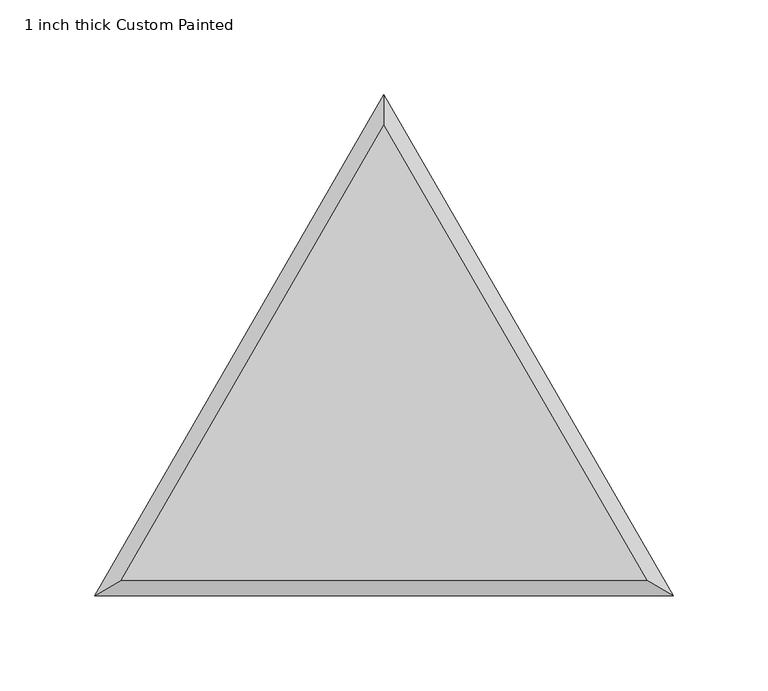
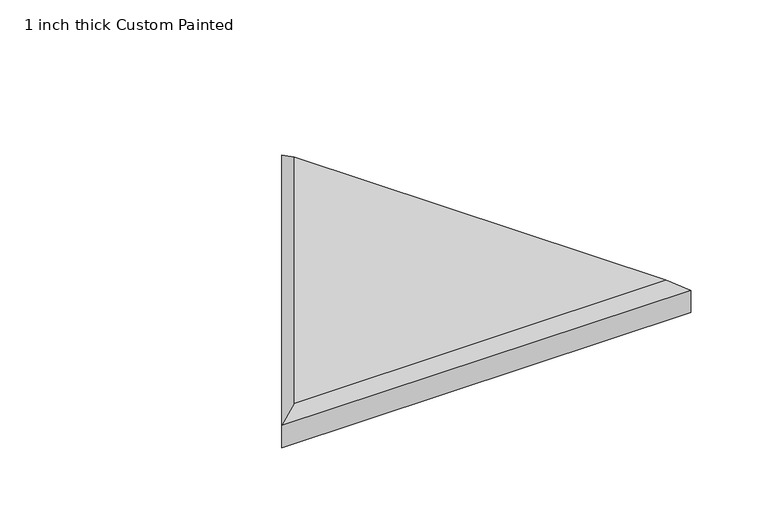
"""IFC4 building model written with IfcOpenShell, lengths in millimetres: proxy geometry, 1 inch thick Custom Painted."""

from ifc_helpers import new_model, si_unit, origin, place, context, project, spatial, faceted_brep, source, transform, mapped, element, save


def proxy_1_inch_thick_custom_painted_21877fa4(model_context):
    return source(origin(), model_context, "Body", "Brep", [
        faceted_brep([(0.0, 247.9625431, 25.4), (-138.5418615, 8.001, 25.4), (138.5418615, 8.001, 25.4), (152.4, 0.0, 0.0), (-152.4, 0.0, 0.0), (0.0, 263.9645431, 0.0), (0.0, 263.9645431, 17.399), (152.4, 0.0, 17.399), (-152.4, 0.0, 17.399)], [[[0, 1, 2]], [[3, 4, 5]], [[3, 5, 6, 7]], [[5, 4, 8, 6]], [[4, 3, 7, 8]], [[8, 1, 0, 6]], [[1, 8, 7, 2]], [[6, 0, 2, 7]]]),
    ])


if __name__ == "__main__":
    model = new_model("IFC4")
    model_context = context("Model", 3, world=origin())
    ifc_project = project(units=[si_unit("LENGTHUNIT", "METRE", prefix="MILLI")], contexts=[model_context])
    site = spatial("IfcSite", under=ifc_project)
    building = spatial("IfcBuilding", under=site)
    placement = place(None, origin())
    proxy_1_inch_thick_custom_painted_shape = proxy_1_inch_thick_custom_painted_21877fa4(model_context)
    element("IfcBuildingElementProxy", 1, Name="1 inch thick Custom Painted", ObjectType="1 inch thick Custom Painted", at=placement, inside=building, context=model_context, shape_type="MappedRepresentation", body=[
        mapped(proxy_1_inch_thick_custom_painted_shape, transform((0.0, 0.0, 0.0), x_axis=(1.0, 0.0, 0.0), y_axis=(0.0, 1.0, 0.0), z_axis=(0.0, 0.0, 1.0))),
    ])
    save(model, "model.ifc")
